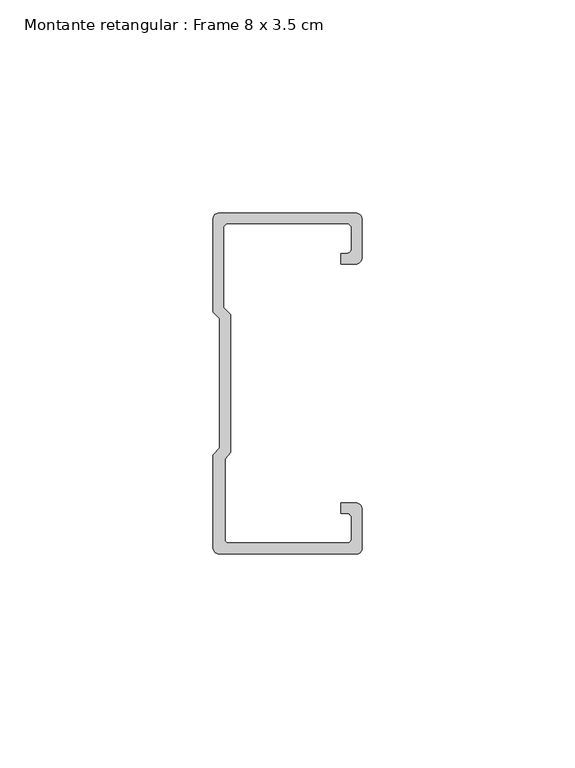
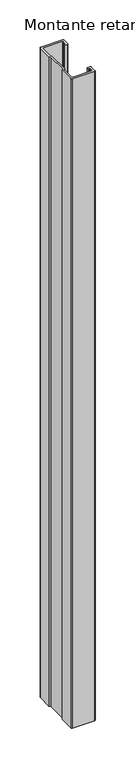
"""IFC4 building model written with IfcOpenShell, lengths in millimetres: member geometry, Montante retangular : Frame 8 x 3.5 cm."""

import ifcopenshell
import ifcopenshell.guid

model = None  # the IFC model being written
_history = None  # IfcOwnerHistory: only IFC2X3 demands one
_inside = {}  # id of a spatial element -> (the spatial element, [elements in it])
_under = {}  # id of a project, library or spatial element -> (it, [spatial elements below it])
_declared = {}  # id of a project -> (the project, [libraries it declares])
_typed = {}  # id of a type object -> (the type object, [elements of that type])
_made_of = {}  # id of a material, layer set ... -> (it, [elements and type objects made of it])


def new_model(schema):
    """Start an empty IFC model of exactly this schema.

    Asked for "IFC4X3", IfcOpenShell would pick the latest addendum, in which some entities
    have other attributes; the version numbers below select the first issue.
    IFC2X3 requires an IfcOwnerHistory on every rooted entity: one is made here for all.
    """
    global model, _history
    if schema == "IFC4X3":
        model = ifcopenshell.file(schema_version=(4, 3, 0, 0))
    else:
        model = ifcopenshell.file(schema=schema)
    _inside.clear()
    _under.clear()
    _declared.clear()
    _typed.clear()
    _made_of.clear()
    _history = None
    if model.schema == "IFC2X3":
        org = make("IfcOrganization", Name="unknown")
        user = make(
            "IfcPersonAndOrganization",
            ThePerson=make("IfcPerson", FamilyName="unknown"),
            TheOrganization=org,
        )
        app = make(
            "IfcApplication",
            ApplicationDeveloper=org,
            Version="unknown",
            ApplicationFullName="unknown",
            ApplicationIdentifier="unknown",
        )
        _history = make(
            "IfcOwnerHistory",
            OwningUser=user,
            OwningApplication=app,
            ChangeAction="ADDED",
            CreationDate=0,
        )
    return model


def make(cls, **values):
    """One entity of the class cls with the attributes given. An attribute that is None is left unset."""
    return model.create_entity(
        cls, **{name: value for name, value in values.items() if value is not None}
    )


def rooted(cls, **values):
    """An entity with a GlobalId (a new one), such as an element, a storey or a relation."""
    return make(cls, GlobalId=ifcopenshell.guid.new(), OwnerHistory=_history, **values)


def si_unit(unit_type, name, prefix=None):
    """IfcSIUnit, for example si_unit("LENGTHUNIT", "METRE", prefix="MILLI")."""
    return make("IfcSIUnit", UnitType=unit_type, Prefix=prefix, Name=name)


def assignment(units):
    """IfcUnitAssignment: the units of a project."""
    return None if units is None else make("IfcUnitAssignment", Units=units)


def point(xyz):
    """IfcCartesianPoint."""
    return None if xyz is None else make("IfcCartesianPoint", Coordinates=xyz)


def direction(xyz):
    """IfcDirection."""
    return None if xyz is None else make("IfcDirection", DirectionRatios=xyz)


def frame(location, z_axis=None, x_axis=None):
    """IfcAxis2Placement3D, a coordinate frame: its origin and axes. An axis left out is left unset."""
    return make(
        "IfcAxis2Placement3D",
        Location=point(location),
        Axis=direction(z_axis),
        RefDirection=direction(x_axis),
    )


def frame_2d(location, x_axis=None):
    """IfcAxis2Placement2D, a coordinate frame in the plane: its origin and x axis."""
    return make(
        "IfcAxis2Placement2D", Location=point(location), RefDirection=direction(x_axis)
    )


def origin():
    """The frame at (0, 0, 0) with its axes left unset."""
    return frame((0.0, 0.0, 0.0))


def place(relative_to, where):
    """IfcLocalPlacement: puts the frame where relative to a parent placement (None: the world)."""
    return make(
        "IfcLocalPlacement", PlacementRelTo=relative_to, RelativePlacement=where
    )


def context(
    kind, dimensions, precision=None, world=None, true_north=None, identifier=None
):
    """IfcGeometricRepresentationContext, for example the 3D "Model" context."""
    return make(
        "IfcGeometricRepresentationContext",
        ContextIdentifier=identifier,
        ContextType=kind,
        CoordinateSpaceDimension=dimensions,
        Precision=precision,
        WorldCoordinateSystem=world,
        TrueNorth=true_north,
    )


def project(units=None, contexts=None):
    """IfcProject with its units and contexts."""
    return rooted(
        "IfcProject",
        Name="project",
        RepresentationContexts=contexts,
        UnitsInContext=assignment(units),
    )


def spatial(cls, under=None, at=None, **own):
    """A site, building, storey or space (cls), placed at a placement, below another one or the project."""
    s = rooted(cls, ObjectPlacement=at, **own)
    if under is not None:
        _under.setdefault(under.id(), (under, []))[1].append(s)
    return s


def polyline(points):
    """IfcPolyline through the points."""
    return make("IfcPolyline", Points=[point(p) for p in points])


def circle_curve(where, radius):
    """IfcCircle in the frame where."""
    return make("IfcCircle", Position=where, Radius=radius)


def trimmed(basis, trim1, trim2, sense, master):
    """IfcTrimmedCurve: the piece of a basis curve between two trims."""
    return make(
        "IfcTrimmedCurve",
        BasisCurve=basis,
        Trim1=trim1,
        Trim2=trim2,
        SenseAgreement=sense,
        MasterRepresentation=master,
    )


def segment(curve, same_sense, transition):
    """IfcCompositeCurveSegment."""
    return make(
        "IfcCompositeCurveSegment",
        Transition=transition,
        SameSense=same_sense,
        ParentCurve=curve,
    )


def composite_curve(segments, self_intersect=None):
    """IfcCompositeCurve: segments joined end to end."""
    return make("IfcCompositeCurve", Segments=segments, SelfIntersect=self_intersect)


def outline(outer, holes=None, kind="AREA"):
    """IfcArbitraryClosedProfileDef: a profile drawn as a closed curve; with holes, ...WithVoids."""
    if holes is None:
        return make("IfcArbitraryClosedProfileDef", ProfileType=kind, OuterCurve=outer)
    return make(
        "IfcArbitraryProfileDefWithVoids",
        ProfileType=kind,
        OuterCurve=outer,
        InnerCurves=holes,
    )


def extrude(swept, where, along, depth):
    """IfcExtrudedAreaSolid: the profile swept, set in the frame where, extruded along a direction by depth."""
    return make(
        "IfcExtrudedAreaSolid",
        SweptArea=swept,
        Position=where,
        ExtrudedDirection=direction(along),
        Depth=depth,
    )


def shape(context_of_items, identifier, shape_type, items):
    """IfcShapeRepresentation: the items that make up one representation, for example the "Body"."""
    return make(
        "IfcShapeRepresentation",
        ContextOfItems=context_of_items,
        RepresentationIdentifier=identifier,
        RepresentationType=shape_type,
        Items=items,
    )


def source(mapping_origin, context_of_items, identifier, shape_type, items):
    """IfcRepresentationMap: a shape defined once, which mapped items show again and again."""
    return make(
        "IfcRepresentationMap",
        MappingOrigin=mapping_origin,
        MappedRepresentation=shape(context_of_items, identifier, shape_type, items),
    )


def transform(
    local_origin,
    x_axis=None,
    y_axis=None,
    z_axis=None,
    scale=None,
    scale2=None,
    scale3=None,
    uniform=True,
):
    """IfcCartesianTransformationOperator3D, or its non-uniform kind. x_axis, y_axis, z_axis: its Axis1, 2, 3."""
    if uniform:
        return make(
            "IfcCartesianTransformationOperator3D",
            Axis1=direction(x_axis),
            Axis2=direction(y_axis),
            LocalOrigin=point(local_origin),
            Scale=scale,
            Axis3=direction(z_axis),
        )
    return make(
        "IfcCartesianTransformationOperator3DnonUniform",
        Axis1=direction(x_axis),
        Axis2=direction(y_axis),
        LocalOrigin=point(local_origin),
        Scale=scale,
        Axis3=direction(z_axis),
        Scale2=scale2,
        Scale3=scale3,
    )


def mapped(mapping_source, mapping_target):
    """IfcMappedItem: shows the shape of a source again, moved by a transform."""
    return make(
        "IfcMappedItem", MappingSource=mapping_source, MappingTarget=mapping_target
    )


def made_of(thing, what):
    """Note that an element or type object is made of a material, layer set ...; save() writes the relation."""
    if what is not None:
        _made_of.setdefault(what.id(), (what, []))[1].append(thing)
    return thing


def element(
    cls,
    number,
    at=None,
    inside=None,
    cuts=None,
    type_object=None,
    material=None,
    context=None,
    identifier="Body",
    shape_type=None,
    held_by="IfcProductDefinitionShape",
    body=None,
    shapes=None,
    **own,
):
    """One element of the class cls, such as IfcWall. Its Tag is "e" and its number.

    at: its placement. inside: the storey or other place that contains it. cuts: it is an
    opening in that element (IfcRelVoidsElement). A single representation is given by context,
    identifier, shape_type and body (its items); several are given by shapes. held_by: the class
    of the entity that holds the representations. save() writes the other relations.
    """
    e = rooted(cls, Tag="e%d" % number, ObjectPlacement=at, **own)
    if body is not None:
        shapes = [shape(context, identifier, shape_type, body)]
    if shapes is not None:
        e.Representation = make(held_by, Representations=shapes)
    if inside is not None:
        _inside.setdefault(inside.id(), (inside, []))[1].append(e)
    if cuts is not None:
        rooted(
            "IfcRelVoidsElement", RelatingBuildingElement=cuts, RelatedOpeningElement=e
        )
    if type_object is not None:
        _typed.setdefault(type_object.id(), (type_object, []))[1].append(e)
    return made_of(e, material)


def aggregate(whole, parts):
    """IfcRelAggregates: a whole, such as a stair, and the parts it consists of."""
    return rooted("IfcRelAggregates", RelatingObject=whole, RelatedObjects=parts)


def save(model, path):
    """Write the relations noted so far, then the file.

    IfcRelAggregates (storeys below a building ...), IfcRelContainedInSpatialStructure (elements
    in a storey), IfcRelDefinesByType, IfcRelAssociatesMaterial and IfcRelDeclares: one each for
    every whole, place, type object, material and project.
    """
    for whole, parts in _under.values():
        aggregate(whole, parts)
    for where, things in _inside.values():
        rooted(
            "IfcRelContainedInSpatialStructure",
            RelatedElements=things,
            RelatingStructure=where,
        )
    for kind, things in _typed.values():
        rooted("IfcRelDefinesByType", RelatedObjects=things, RelatingType=kind)
    for what, things in _made_of.values():
        rooted("IfcRelAssociatesMaterial", RelatedObjects=things, RelatingMaterial=what)
    for by, libraries in _declared.values():
        rooted("IfcRelDeclares", RelatingContext=by, RelatedDefinitions=libraries)
    model.write(path)


def montante_retangular_frame_8_x_3_5_cm_7f8f02f9(model_context):
    return source(origin(), model_context, "Body", "SweptSolid", [
        extrude(outline(composite_curve([segment(trimmed(circle_curve(frame_2d((-1.5, 29.5276505)), 1.5), [point((0.0, 29.5276505))], [point((-1.5, 28.0276505))], False, "CARTESIAN"), True, "CONTINUOUS"), segment(polyline([(-1.5, 28.0276505), (-4.9837744, 28.0276505), (-4.9837744, 30.5276505), (-3.5, 30.5276505)]), True, "CONTINUOUS"), segment(trimmed(circle_curve(frame_2d((-3.5, 31.5276505)), 1.0), [point((-3.5, 30.5276505))], [point((-2.5, 31.5276505))], True, "CARTESIAN"), True, "CONTINUOUS"), segment(polyline([(-2.5, 31.5276505), (-2.5, 36.5)]), True, "CONTINUOUS"), segment(trimmed(circle_curve(frame_2d((-3.5, 36.5)), 1.0), [point((-2.5, 36.5))], [point((-3.5, 37.5))], True, "CARTESIAN"), True, "CONTINUOUS"), segment(polyline([(-3.5, 37.5), (-31.5, 37.5)]), True, "CONTINUOUS"), segment(trimmed(circle_curve(frame_2d((-31.5, 36.5)), 1.0), [point((-31.5, 37.5))], [point((-32.5, 36.5))], True, "CARTESIAN"), True, "CONTINUOUS"), segment(polyline([(-32.5, 36.5), (-32.5, 17.7978001), (-30.9122869, 16.2100869), (-30.9122869, -16.1794816), (-32.192786, -17.7671948), (-32.192786, -36.5)]), True, "CONTINUOUS"), segment(trimmed(circle_curve(frame_2d((-31.192786, -36.5)), 1.0), [point((-32.192786, -36.5))], [point((-31.192786, -37.5))], True, "CARTESIAN"), True, "CONTINUOUS"), segment(polyline([(-31.192786, -37.5), (-3.5, -37.5)]), True, "CONTINUOUS"), segment(trimmed(circle_curve(frame_2d((-3.5, -36.5)), 1.0), [point((-3.5, -37.5))], [point((-2.5, -36.5))], True, "CARTESIAN"), True, "CONTINUOUS"), segment(polyline([(-2.5, -36.5), (-2.5, -31.5276505)]), True, "CONTINUOUS"), segment(trimmed(circle_curve(frame_2d((-3.5, -31.5276505)), 1.0), [point((-2.5, -31.5276505))], [point((-3.5, -30.5276505))], True, "CARTESIAN"), True, "CONTINUOUS"), segment(polyline([(-3.5, -30.5276505), (-4.9837744, -30.5276505), (-4.9837744, -28.0276505), (-1.5, -28.0276505)]), True, "CONTINUOUS"), segment(trimmed(circle_curve(frame_2d((-1.5, -29.5276505)), 1.5), [point((-1.5, -28.0276505))], [point((0.0, -29.5276505))], False, "CARTESIAN"), True, "CONTINUOUS"), segment(polyline([(0.0, -29.5276505), (0.0, -38.8171833)]), True, "CONTINUOUS"), segment(trimmed(circle_curve(frame_2d((-1.1828167, -38.8171833)), 1.1828167), [point((0.0, -38.8171833))], [point((-1.1828167, -40.0))], False, "CARTESIAN"), True, "CONTINUOUS"), segment(polyline([(-1.1828167, -40.0), (-33.5, -40.0)]), True, "CONTINUOUS"), segment(trimmed(circle_curve(frame_2d((-33.5, -38.5)), 1.5), [point((-33.5, -40.0))], [point((-35.0, -38.5))], False, "CARTESIAN"), True, "CONTINUOUS"), segment(polyline([(-35.0, -38.5), (-35.0, -16.7622662), (-33.4122869, -15.174553), (-33.4122869, 15.174553), (-35.0, 16.7622662), (-35.0, 38.5)]), True, "CONTINUOUS"), segment(trimmed(circle_curve(frame_2d((-33.5, 38.5)), 1.5), [point((-35.0, 38.5))], [point((-33.5, 40.0))], False, "CARTESIAN"), True, "CONTINUOUS"), segment(polyline([(-33.5, 40.0), (-1.5, 40.0)]), True, "CONTINUOUS"), segment(trimmed(circle_curve(frame_2d((-1.5, 38.5)), 1.5), [point((-1.5, 40.0))], [point((0.0, 38.5))], False, "CARTESIAN"), True, "CONTINUOUS"), segment(polyline([(0.0, 38.5), (0.0, 29.5276505)]), True, "CONTINUOUS")], self_intersect=False)), frame((0.0, 0.0, -1000.0), z_axis=(0.0, 0.0, 1.0), x_axis=(1.0, 0.0, 0.0)), (0.0, 0.0, 1.0), 1000.0),
    ])


if __name__ == "__main__":
    model = new_model("IFC4")
    model_context = context("Model", 3, world=origin())
    ifc_project = project(units=[si_unit("LENGTHUNIT", "METRE", prefix="MILLI")], contexts=[model_context])
    site = spatial("IfcSite", under=ifc_project)
    building = spatial("IfcBuilding", under=site)
    placement = place(None, origin())
    montante_retangular_frame_8_x_3_5_cm_shape = montante_retangular_frame_8_x_3_5_cm_7f8f02f9(model_context)
    element("IfcMember", 1, ObjectType="Montante retangular : Frame 8 x 3.5 cm", at=placement, inside=building, context=model_context, shape_type="MappedRepresentation", body=[
        mapped(montante_retangular_frame_8_x_3_5_cm_shape, transform((0.0, 0.0, 0.0), x_axis=(1.0, 0.0, 0.0), y_axis=(0.0, 1.0, 0.0), z_axis=(0.0, 0.0, 1.0))),
    ])
    save(model, "model.ifc")
